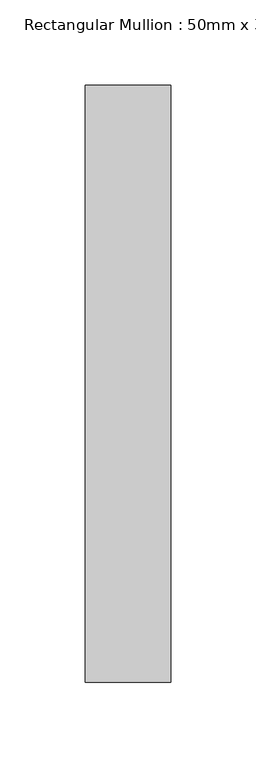
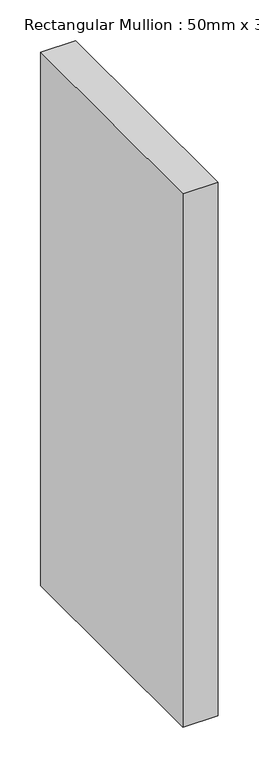
"""IFC4 building model written with IfcOpenShell, lengths in millimetres: member geometry, Rectangular Mullion : 50mm x 350mm."""

import ifcopenshell
import ifcopenshell.guid

model = None  # the IFC model being written
_history = None  # IfcOwnerHistory: only IFC2X3 demands one
_inside = {}  # id of a spatial element -> (the spatial element, [elements in it])
_under = {}  # id of a project, library or spatial element -> (it, [spatial elements below it])
_declared = {}  # id of a project -> (the project, [libraries it declares])
_typed = {}  # id of a type object -> (the type object, [elements of that type])
_made_of = {}  # id of a material, layer set ... -> (it, [elements and type objects made of it])


def new_model(schema):
    """Start an empty IFC model of exactly this schema.

    Asked for "IFC4X3", IfcOpenShell would pick the latest addendum, in which some entities
    have other attributes; the version numbers below select the first issue.
    IFC2X3 requires an IfcOwnerHistory on every rooted entity: one is made here for all.
    """
    global model, _history
    if schema == "IFC4X3":
        model = ifcopenshell.file(schema_version=(4, 3, 0, 0))
    else:
        model = ifcopenshell.file(schema=schema)
    _inside.clear()
    _under.clear()
    _declared.clear()
    _typed.clear()
    _made_of.clear()
    _history = None
    if model.schema == "IFC2X3":
        org = make("IfcOrganization", Name="unknown")
        user = make(
            "IfcPersonAndOrganization",
            ThePerson=make("IfcPerson", FamilyName="unknown"),
            TheOrganization=org,
        )
        app = make(
            "IfcApplication",
            ApplicationDeveloper=org,
            Version="unknown",
            ApplicationFullName="unknown",
            ApplicationIdentifier="unknown",
        )
        _history = make(
            "IfcOwnerHistory",
            OwningUser=user,
            OwningApplication=app,
            ChangeAction="ADDED",
            CreationDate=0,
        )
    return model


def make(cls, **values):
    """One entity of the class cls with the attributes given. An attribute that is None is left unset."""
    return model.create_entity(
        cls, **{name: value for name, value in values.items() if value is not None}
    )


def rooted(cls, **values):
    """An entity with a GlobalId (a new one), such as an element, a storey or a relation."""
    return make(cls, GlobalId=ifcopenshell.guid.new(), OwnerHistory=_history, **values)


def si_unit(unit_type, name, prefix=None):
    """IfcSIUnit, for example si_unit("LENGTHUNIT", "METRE", prefix="MILLI")."""
    return make("IfcSIUnit", UnitType=unit_type, Prefix=prefix, Name=name)


def assignment(units):
    """IfcUnitAssignment: the units of a project."""
    return None if units is None else make("IfcUnitAssignment", Units=units)


def point(xyz):
    """IfcCartesianPoint."""
    return None if xyz is None else make("IfcCartesianPoint", Coordinates=xyz)


def direction(xyz):
    """IfcDirection."""
    return None if xyz is None else make("IfcDirection", DirectionRatios=xyz)


def frame(location, z_axis=None, x_axis=None):
    """IfcAxis2Placement3D, a coordinate frame: its origin and axes. An axis left out is left unset."""
    return make(
        "IfcAxis2Placement3D",
        Location=point(location),
        Axis=direction(z_axis),
        RefDirection=direction(x_axis),
    )


def origin():
    """The frame at (0, 0, 0) with its axes left unset."""
    return frame((0.0, 0.0, 0.0))


def place(relative_to, where):
    """IfcLocalPlacement: puts the frame where relative to a parent placement (None: the world)."""
    return make(
        "IfcLocalPlacement", PlacementRelTo=relative_to, RelativePlacement=where
    )


def context(
    kind, dimensions, precision=None, world=None, true_north=None, identifier=None
):
    """IfcGeometricRepresentationContext, for example the 3D "Model" context."""
    return make(
        "IfcGeometricRepresentationContext",
        ContextIdentifier=identifier,
        ContextType=kind,
        CoordinateSpaceDimension=dimensions,
        Precision=precision,
        WorldCoordinateSystem=world,
        TrueNorth=true_north,
    )


def project(units=None, contexts=None):
    """IfcProject with its units and contexts."""
    return rooted(
        "IfcProject",
        Name="project",
        RepresentationContexts=contexts,
        UnitsInContext=assignment(units),
    )


def spatial(cls, under=None, at=None, **own):
    """A site, building, storey or space (cls), placed at a placement, below another one or the project."""
    s = rooted(cls, ObjectPlacement=at, **own)
    if under is not None:
        _under.setdefault(under.id(), (under, []))[1].append(s)
    return s


def polyline(points):
    """IfcPolyline through the points."""
    return make("IfcPolyline", Points=[point(p) for p in points])


def outline(outer, holes=None, kind="AREA"):
    """IfcArbitraryClosedProfileDef: a profile drawn as a closed curve; with holes, ...WithVoids."""
    if holes is None:
        return make("IfcArbitraryClosedProfileDef", ProfileType=kind, OuterCurve=outer)
    return make(
        "IfcArbitraryProfileDefWithVoids",
        ProfileType=kind,
        OuterCurve=outer,
        InnerCurves=holes,
    )


def extrude(swept, where, along, depth):
    """IfcExtrudedAreaSolid: the profile swept, set in the frame where, extruded along a direction by depth."""
    return make(
        "IfcExtrudedAreaSolid",
        SweptArea=swept,
        Position=where,
        ExtrudedDirection=direction(along),
        Depth=depth,
    )


def shape(context_of_items, identifier, shape_type, items):
    """IfcShapeRepresentation: the items that make up one representation, for example the "Body"."""
    return make(
        "IfcShapeRepresentation",
        ContextOfItems=context_of_items,
        RepresentationIdentifier=identifier,
        RepresentationType=shape_type,
        Items=items,
    )


def source(mapping_origin, context_of_items, identifier, shape_type, items):
    """IfcRepresentationMap: a shape defined once, which mapped items show again and again."""
    return make(
        "IfcRepresentationMap",
        MappingOrigin=mapping_origin,
        MappedRepresentation=shape(context_of_items, identifier, shape_type, items),
    )


def transform(
    local_origin,
    x_axis=None,
    y_axis=None,
    z_axis=None,
    scale=None,
    scale2=None,
    scale3=None,
    uniform=True,
):
    """IfcCartesianTransformationOperator3D, or its non-uniform kind. x_axis, y_axis, z_axis: its Axis1, 2, 3."""
    if uniform:
        return make(
            "IfcCartesianTransformationOperator3D",
            Axis1=direction(x_axis),
            Axis2=direction(y_axis),
            LocalOrigin=point(local_origin),
            Scale=scale,
            Axis3=direction(z_axis),
        )
    return make(
        "IfcCartesianTransformationOperator3DnonUniform",
        Axis1=direction(x_axis),
        Axis2=direction(y_axis),
        LocalOrigin=point(local_origin),
        Scale=scale,
        Axis3=direction(z_axis),
        Scale2=scale2,
        Scale3=scale3,
    )


def mapped(mapping_source, mapping_target):
    """IfcMappedItem: shows the shape of a source again, moved by a transform."""
    return make(
        "IfcMappedItem", MappingSource=mapping_source, MappingTarget=mapping_target
    )


def made_of(thing, what):
    """Note that an element or type object is made of a material, layer set ...; save() writes the relation."""
    if what is not None:
        _made_of.setdefault(what.id(), (what, []))[1].append(thing)
    return thing


def element(
    cls,
    number,
    at=None,
    inside=None,
    cuts=None,
    type_object=None,
    material=None,
    context=None,
    identifier="Body",
    shape_type=None,
    held_by="IfcProductDefinitionShape",
    body=None,
    shapes=None,
    **own,
):
    """One element of the class cls, such as IfcWall. Its Tag is "e" and its number.

    at: its placement. inside: the storey or other place that contains it. cuts: it is an
    opening in that element (IfcRelVoidsElement). A single representation is given by context,
    identifier, shape_type and body (its items); several are given by shapes. held_by: the class
    of the entity that holds the representations. save() writes the other relations.
    """
    e = rooted(cls, Tag="e%d" % number, ObjectPlacement=at, **own)
    if body is not None:
        shapes = [shape(context, identifier, shape_type, body)]
    if shapes is not None:
        e.Representation = make(held_by, Representations=shapes)
    if inside is not None:
        _inside.setdefault(inside.id(), (inside, []))[1].append(e)
    if cuts is not None:
        rooted(
            "IfcRelVoidsElement", RelatingBuildingElement=cuts, RelatedOpeningElement=e
        )
    if type_object is not None:
        _typed.setdefault(type_object.id(), (type_object, []))[1].append(e)
    return made_of(e, material)


def aggregate(whole, parts):
    """IfcRelAggregates: a whole, such as a stair, and the parts it consists of."""
    return rooted("IfcRelAggregates", RelatingObject=whole, RelatedObjects=parts)


def save(model, path):
    """Write the relations noted so far, then the file.

    IfcRelAggregates (storeys below a building ...), IfcRelContainedInSpatialStructure (elements
    in a storey), IfcRelDefinesByType, IfcRelAssociatesMaterial and IfcRelDeclares: one each for
    every whole, place, type object, material and project.
    """
    for whole, parts in _under.values():
        aggregate(whole, parts)
    for where, things in _inside.values():
        rooted(
            "IfcRelContainedInSpatialStructure",
            RelatedElements=things,
            RelatingStructure=where,
        )
    for kind, things in _typed.values():
        rooted("IfcRelDefinesByType", RelatedObjects=things, RelatingType=kind)
    for what, things in _made_of.values():
        rooted("IfcRelAssociatesMaterial", RelatedObjects=things, RelatingMaterial=what)
    for by, libraries in _declared.values():
        rooted("IfcRelDeclares", RelatingContext=by, RelatedDefinitions=libraries)
    model.write(path)


def rectangular_mullion_50mm_x_350mm_4cdb8b22(model_context):
    return source(origin(), model_context, "Body", "SweptSolid", [
        extrude(outline(polyline([(0.0, 175.0), (0.0, -175.0), (-50.0, -175.0), (-50.0, 175.0), (0.0, 175.0)])), frame((0.0, 0.0, -800.0), z_axis=(0.0, 0.0, 1.0), x_axis=(1.0, 0.0, 0.0)), (0.0, 0.0, 1.0), 800.0),
    ])


if __name__ == "__main__":
    model = new_model("IFC4")
    model_context = context("Model", 3, world=origin())
    ifc_project = project(units=[si_unit("LENGTHUNIT", "METRE", prefix="MILLI")], contexts=[model_context])
    site = spatial("IfcSite", under=ifc_project)
    building = spatial("IfcBuilding", under=site)
    placement = place(None, origin())
    rectangular_mullion_50mm_x_350mm_shape = rectangular_mullion_50mm_x_350mm_4cdb8b22(model_context)
    element("IfcMember", 1, ObjectType="Rectangular Mullion : 50mm x 350mm", at=placement, inside=building, context=model_context, shape_type="MappedRepresentation", body=[
        mapped(rectangular_mullion_50mm_x_350mm_shape, transform((0.0, 0.0, 0.0), x_axis=(1.0, 0.0, 0.0), y_axis=(0.0, 1.0, 0.0), z_axis=(0.0, 0.0, 1.0))),
    ])
    save(model, "model.ifc")
